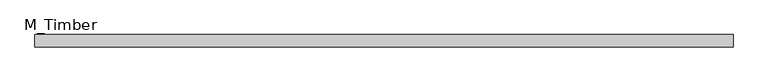
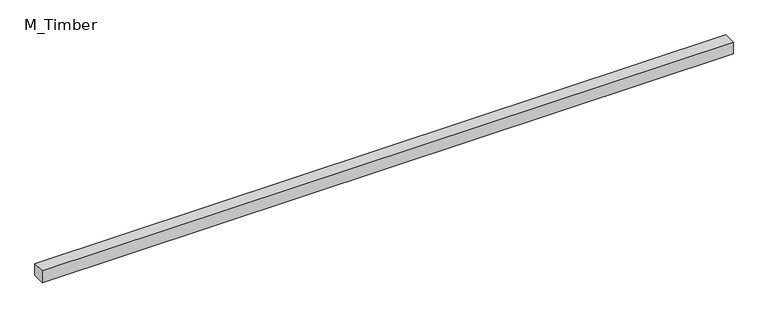
"""IFC4 building model written with IfcOpenShell, lengths in millimetres: beam geometry, M_Timber."""

from ifc_helpers import new_model, si_unit, frame, origin, place, context, project, spatial, polyline, outline, extrude, source, transform, mapped, element, save


def m_timber_cc1d7754(model_context):
    return source(origin(), model_context, "Body", "SweptSolid", [
        extrude(outline(polyline([(1113.0932502, 20.0), (1113.0932502, -20.0), (-1113.0932502, -20.0), (-1113.0932502, 20.0), (1113.0932502, 20.0)])), frame((0.0, 0.0, -20.0), z_axis=(0.0, 0.0, 1.0), x_axis=(1.0, 0.0, 0.0)), (0.0, 0.0, 1.0), 40.0),
    ])


if __name__ == "__main__":
    model = new_model("IFC4")
    model_context = context("Model", 3, world=origin())
    ifc_project = project(units=[si_unit("LENGTHUNIT", "METRE", prefix="MILLI")], contexts=[model_context])
    site = spatial("IfcSite", under=ifc_project)
    building = spatial("IfcBuilding", under=site)
    placement = place(None, origin())
    m_timber_shape = m_timber_cc1d7754(model_context)
    element("IfcBeam", 1, ObjectType="M_Timber", at=placement, inside=building, context=model_context, shape_type="MappedRepresentation", body=[
        mapped(m_timber_shape, transform((0.0, 0.0, 0.0), x_axis=(1.0, 0.0, 0.0), y_axis=(0.0, 1.0, 0.0), z_axis=(0.0, 0.0, 1.0))),
    ])
    save(model, "model.ifc")
